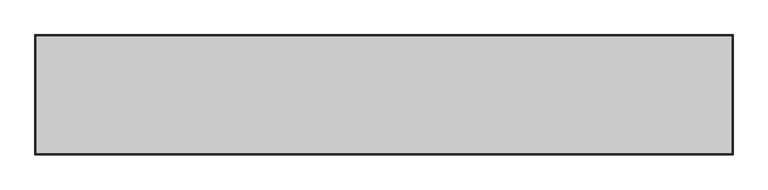
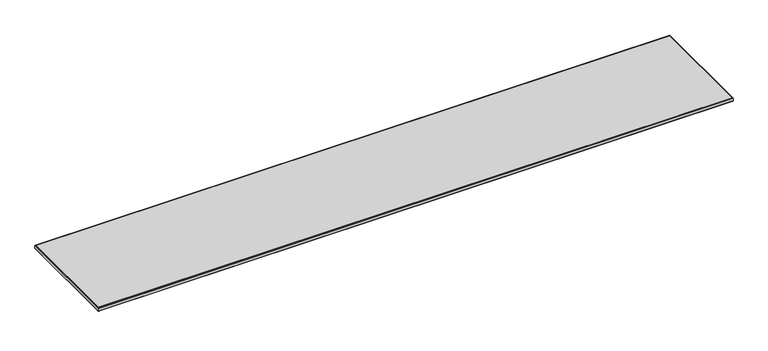
"""IFC4 building model written with IfcOpenShell, lengths in millimetres: furniture geometry."""

from ifc_helpers import new_model, si_unit, frame, origin, place, context, project, spatial, polyline, outline, extrude, faceted_brep, source, transform, mapped, element, save


def furniture_4be9fac0(model_context):
    return source(origin(), model_context, "Body", "SolidModel", [
        faceted_brep([(1828.2142073, 19.7166075, 1043.3885283), (1826.7934, 18.2958003, 1042.8000114), (2.0066, 18.2958003, 1042.8000114), (0.5857927, 19.7166075, 1043.3885283), (1828.8, 20.3024003, 1044.8027589), (0.0, 20.3024003, 1044.8027589), (1828.8, 20.3024003, 1054.8000057), (0.0, 20.3024003, 1054.8000057), (1826.7934, 18.2958003, 1054.8000057), (2.0066, 18.2958003, 1054.8000057), (2.0066, -212.5041983, 1042.8000114), (0.5857927, -213.9250056, 1043.3885283), (0.0, -214.5107983, 1044.8027589), (0.0, -214.5107983, 1054.8000057), (2.0066, -212.5041983, 1054.8000057), (1826.7934, -212.5041983, 1042.8000114), (1828.2142073, -213.9250056, 1043.3885283), (1828.8, -214.5107983, 1044.8027589), (1828.8, -214.5107983, 1054.8000057), (1826.7934, -212.5041983, 1054.8000057)], [[[0, 1, 2, 3]], [[4, 0, 3, 5]], [[6, 4, 5, 7]], [[1, 8, 9, 2]], [[3, 2, 10, 11]], [[5, 3, 11, 12]], [[7, 5, 12, 13]], [[2, 9, 14, 10]], [[11, 10, 15, 16]], [[12, 11, 16, 17]], [[13, 12, 17, 18]], [[10, 14, 19, 15]], [[16, 15, 1, 0]], [[17, 16, 0, 4]], [[18, 17, 4, 6]], [[7, 13, 18, 6], [8, 19, 14, 9]], [[15, 19, 8, 1]]]),
        extrude(outline(polyline([(1826.7934, 18.2958003), (1826.7934, -212.5041983), (2.0066, -212.5041983), (2.0066, 18.2958003), (1826.7934, 18.2958003)])), frame((0.0, 0.0, 1042.8000114), z_axis=(0.0, 0.0, 1.0), x_axis=(1.0, 0.0, 0.0)), (0.0, 0.0, 1.0), 11.9999943),
        faceted_brep([(1853.4542364, 73.7600281, 1055.3857985), (1852.0400059, 72.3457976, 1054.8000057), (-23.3934, 72.3457976, 1054.8000057), (-24.8076305, 73.7600281, 1055.3857985), (1854.0400291, 74.3458208, 1056.800029), (-25.3934233, 74.3458208, 1056.800029), (1854.0400291, 74.3458208, 1064.7999767), (-25.3934233, 74.3458208, 1064.7999767), (1853.4542364, 73.7600281, 1066.2142073), (-24.8076305, 73.7600281, 1066.2142073), (1852.0400059, 72.3457976, 1066.8030114), (-23.3934, 72.3457976, 1066.8030114), (-23.3934, -247.5042058, 1054.8000057), (-24.8076305, -248.9184364, 1055.3857985), (-25.3934233, -249.5042291, 1056.800029), (-25.3934233, -249.5042291, 1064.7999767), (-24.8076305, -248.9184364, 1066.2142073), (-23.3934, -247.5042058, 1066.8030114), (1852.0400059, -247.5042058, 1054.8000057), (1853.4542364, -248.9184364, 1055.3857985), (1854.0400291, -249.5042291, 1056.800029), (1854.0400291, -249.5042291, 1064.7999767), (1853.4542364, -248.9184364, 1066.2142073), (1852.0400059, -247.5042058, 1066.8030114)], [[[0, 1, 2, 3]], [[4, 0, 3, 5]], [[6, 4, 5, 7]], [[8, 6, 7, 9]], [[10, 8, 9, 11]], [[1, 10, 11, 2]], [[3, 2, 12, 13]], [[5, 3, 13, 14]], [[7, 5, 14, 15]], [[9, 7, 15, 16]], [[11, 9, 16, 17]], [[2, 11, 17, 12]], [[13, 12, 18, 19]], [[14, 13, 19, 20]], [[15, 14, 20, 21]], [[16, 15, 21, 22]], [[17, 16, 22, 23]], [[12, 17, 23, 18]], [[19, 18, 1, 0]], [[20, 19, 0, 4]], [[21, 20, 4, 6]], [[22, 21, 6, 8]], [[23, 22, 8, 10]], [[18, 23, 10, 1]]]),
        extrude(outline(polyline([(1852.0400059, 72.3457976), (1852.0400059, -247.5042058), (-23.3934, -247.5042058), (-23.3934, 72.3457976), (1852.0400059, 72.3457976)])), frame((0.0, 0.0, 1054.8000057), z_axis=(0.0, 0.0, 1.0), x_axis=(1.0, 0.0, 0.0)), (0.0, 0.0, 1.0), 12.0030057),
    ])


if __name__ == "__main__":
    model = new_model("IFC4")
    model_context = context("Model", 3, world=origin())
    ifc_project = project(units=[si_unit("LENGTHUNIT", "METRE", prefix="MILLI")], contexts=[model_context])
    site = spatial("IfcSite", under=ifc_project)
    building = spatial("IfcBuilding", under=site)
    placement = place(None, origin())
    furniture_shape = furniture_4be9fac0(model_context)
    element("IfcFurniture", 1, at=placement, inside=building, context=model_context, shape_type="MappedRepresentation", body=[
        mapped(furniture_shape, transform((0.0, 0.0, 0.0), x_axis=(1.0, 0.0, 0.0), y_axis=(0.0, 1.0, 0.0), z_axis=(0.0, 0.0, 1.0))),
    ])
    save(model, "model.ifc")
